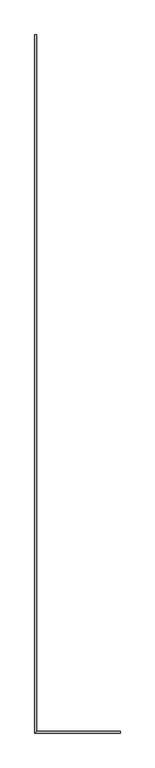
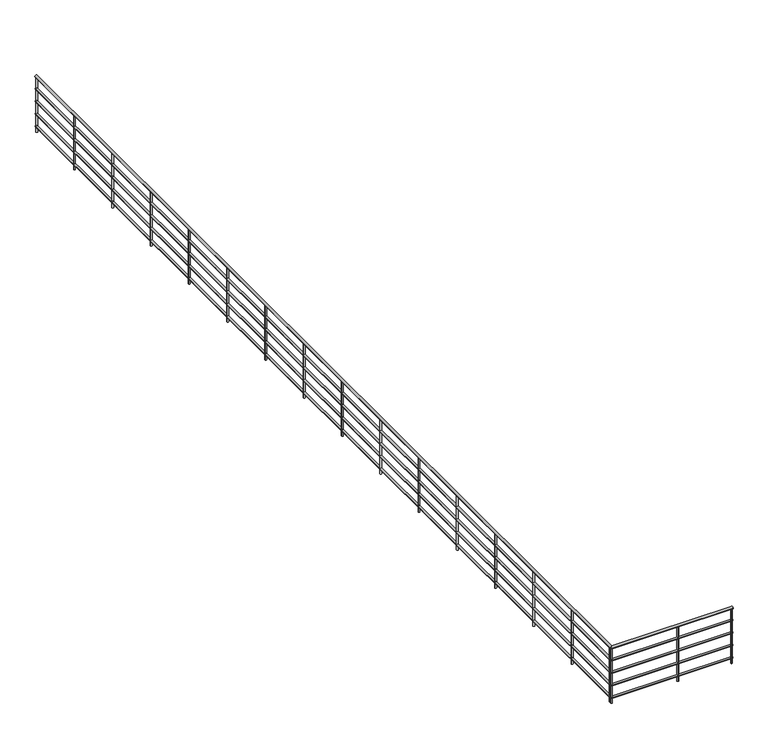
"""IFC4 building model written with IfcOpenShell, lengths in millimetres: railing geometry."""

from ifc_helpers import new_model, si_unit, point, frame, frame_2d, origin, origin_with_axes, place, context, project, spatial, circle_curve, ellipse_curve, trimmed, segment, composite_curve, outline, extrude, source, transform, mapped, element, save
from ifc_brep_helpers import plane_surface, cylinder_surface, advanced_brep


def railing_2988d23d(model_context):
    return source(origin(), model_context, "Body", "SolidModel", [
        advanced_brep(
        [(-18707.4724667, 3602.4523768, 880.0), (-18747.4724667, 3602.4523768, 880.0), (-18707.4724667, -11402.5476232, 880.0), (-18747.4724667, -11442.5476232, 880.0), (-16902.4724667, -11402.5476232, 880.0), (-16902.4724667, -11442.5476232, 880.0)],
        [
            (0, 1, circle_curve(frame((-18727.4724667, 3602.4523768, 880.0), z_axis=(0.0, 1.0, 0.0), x_axis=(-1.0, 0.0, 0.0)), 20.0)),
            (1, 0, circle_curve(frame((-18727.4724667, 3602.4523768, 880.0), z_axis=(0.0, 1.0, 0.0), x_axis=(-1.0, 0.0, 0.0)), 20.0)),
            (0, 2),
            (2, 3, ellipse_curve(frame((-18727.4724667, -11422.5476232, 880.0), z_axis=(-0.7071067811865457, 0.7071067811865493, 0.0), x_axis=(0.7071067811865493, 0.7071067811865457, 0.0)), 28.2842712, 20.0)),
            (3, 1),
            (3, 2, ellipse_curve(frame((-18727.4724667, -11422.5476232, 880.0), z_axis=(-0.7071067811865457, 0.7071067811865493, 0.0), x_axis=(0.7071067811865493, 0.7071067811865457, 0.0)), 28.2842712, 20.0)),
            (4, 5, circle_curve(frame((-16902.4724667, -11422.5476232, 880.0), z_axis=(1.0, 0.0, 0.0), x_axis=(0.0, -1.0, 0.0)), 20.0)),
            (5, 4, circle_curve(frame((-16902.4724667, -11422.5476232, 880.0), z_axis=(1.0, 0.0, 0.0), x_axis=(0.0, -1.0, 0.0)), 20.0)),
            (2, 4),
            (5, 3),
        ],
        [
            plane_surface(frame((-18727.4724667, 3602.4523768, 900.0), z_axis=(0.0, 1.0, 0.0), x_axis=(0.0, 0.0, -1.0))),
            cylinder_surface(frame((-18727.4724667, 3602.4523768, 880.0), z_axis=(0.0, 1.0, 0.0), x_axis=(-1.0, 0.0, 0.0)), 20.0),
            plane_surface(frame((-16902.4724667, -11422.5476232, 900.0), z_axis=(1.0, 0.0, 0.0), x_axis=(0.0, 1.0, 0.0))),
            cylinder_surface(frame((-18727.4724667, -11422.5476232, 880.0), z_axis=(-1.0, 0.0, 0.0), x_axis=(0.0, -1.0, 0.0)), 20.0),
        ],
        [
            (0, [[1, 2]]),
            (1, [[-1, 3, 4, 5]]),
            (1, [[-2, -5, 6, -3]]),
            (2, [[7, 8]]),
            (3, [[-4, 9, -8, 10]]),
            (3, [[-6, -10, -7, -9]]),
        ],
    ),
        advanced_brep(
        [(-18712.4724667, 3602.4523768, 685.0), (-18742.4724667, 3602.4523768, 685.0), (-18712.4724667, -11407.5476232, 685.0), (-18742.4724667, -11437.5476232, 685.0), (-16902.4724667, -11407.5476232, 685.0), (-16902.4724667, -11437.5476232, 685.0)],
        [
            (0, 1, circle_curve(frame((-18727.4724667, 3602.4523768, 685.0), z_axis=(0.0, 1.0, 0.0), x_axis=(-1.0, 0.0, 0.0)), 15.0)),
            (1, 0, circle_curve(frame((-18727.4724667, 3602.4523768, 685.0), z_axis=(0.0, 1.0, 0.0), x_axis=(-1.0, 0.0, 0.0)), 15.0)),
            (0, 2),
            (2, 3, ellipse_curve(frame((-18727.4724667, -11422.5476232, 685.0), z_axis=(-0.7071067811865457, 0.7071067811865493, 0.0), x_axis=(0.7071067811865493, 0.7071067811865457, 0.0)), 21.2132034, 15.0)),
            (3, 1),
            (3, 2, ellipse_curve(frame((-18727.4724667, -11422.5476232, 685.0), z_axis=(-0.7071067811865457, 0.7071067811865493, 0.0), x_axis=(0.7071067811865493, 0.7071067811865457, 0.0)), 21.2132034, 15.0)),
            (4, 5, circle_curve(frame((-16902.4724667, -11422.5476232, 685.0), z_axis=(1.0, 0.0, 0.0), x_axis=(0.0, -1.0, 0.0)), 15.0)),
            (5, 4, circle_curve(frame((-16902.4724667, -11422.5476232, 685.0), z_axis=(1.0, 0.0, 0.0), x_axis=(0.0, -1.0, 0.0)), 15.0)),
            (2, 4),
            (5, 3),
        ],
        [
            plane_surface(frame((-18727.4724667, 3602.4523768, 700.0), z_axis=(0.0, 1.0, 0.0), x_axis=(0.0, 0.0, -1.0))),
            cylinder_surface(frame((-18727.4724667, 3602.4523768, 685.0), z_axis=(0.0, 1.0, 0.0), x_axis=(-1.0, 0.0, 0.0)), 15.0),
            plane_surface(frame((-16902.4724667, -11422.5476232, 700.0), z_axis=(1.0, 0.0, 0.0), x_axis=(0.0, 1.0, 0.0))),
            cylinder_surface(frame((-18727.4724667, -11422.5476232, 685.0), z_axis=(-1.0, 0.0, 0.0), x_axis=(0.0, -1.0, 0.0)), 15.0),
        ],
        [
            (0, [[1, 2]]),
            (1, [[-1, 3, 4, 5]]),
            (1, [[-2, -5, 6, -3]]),
            (2, [[7, 8]]),
            (3, [[-4, 9, -8, 10]]),
            (3, [[-6, -10, -7, -9]]),
        ],
    ),
        advanced_brep(
        [(-18712.4724667, 3602.4523768, 485.0), (-18742.4724667, 3602.4523768, 485.0), (-18712.4724667, -11407.5476232, 485.0), (-18742.4724667, -11437.5476232, 485.0), (-16902.4724667, -11407.5476232, 485.0), (-16902.4724667, -11437.5476232, 485.0)],
        [
            (0, 1, circle_curve(frame((-18727.4724667, 3602.4523768, 485.0), z_axis=(0.0, 1.0, 0.0), x_axis=(-1.0, 0.0, 0.0)), 15.0)),
            (1, 0, circle_curve(frame((-18727.4724667, 3602.4523768, 485.0), z_axis=(0.0, 1.0, 0.0), x_axis=(-1.0, 0.0, 0.0)), 15.0)),
            (0, 2),
            (2, 3, ellipse_curve(frame((-18727.4724667, -11422.5476232, 485.0), z_axis=(-0.7071067811865457, 0.7071067811865493, 0.0), x_axis=(0.7071067811865493, 0.7071067811865457, 0.0)), 21.2132034, 15.0)),
            (3, 1),
            (3, 2, ellipse_curve(frame((-18727.4724667, -11422.5476232, 485.0), z_axis=(-0.7071067811865457, 0.7071067811865493, 0.0), x_axis=(0.7071067811865493, 0.7071067811865457, 0.0)), 21.2132034, 15.0)),
            (4, 5, circle_curve(frame((-16902.4724667, -11422.5476232, 485.0), z_axis=(1.0, 0.0, 0.0), x_axis=(0.0, -1.0, 0.0)), 15.0)),
            (5, 4, circle_curve(frame((-16902.4724667, -11422.5476232, 485.0), z_axis=(1.0, 0.0, 0.0), x_axis=(0.0, -1.0, 0.0)), 15.0)),
            (2, 4),
            (5, 3),
        ],
        [
            plane_surface(frame((-18727.4724667, 3602.4523768, 500.0), z_axis=(0.0, 1.0, 0.0), x_axis=(0.0, 0.0, -1.0))),
            cylinder_surface(frame((-18727.4724667, 3602.4523768, 485.0), z_axis=(0.0, 1.0, 0.0), x_axis=(-1.0, 0.0, 0.0)), 15.0),
            plane_surface(frame((-16902.4724667, -11422.5476232, 500.0), z_axis=(1.0, 0.0, 0.0), x_axis=(0.0, 1.0, 0.0))),
            cylinder_surface(frame((-18727.4724667, -11422.5476232, 485.0), z_axis=(-1.0, 0.0, 0.0), x_axis=(0.0, -1.0, 0.0)), 15.0),
        ],
        [
            (0, [[1, 2]]),
            (1, [[-1, 3, 4, 5]]),
            (1, [[-2, -5, 6, -3]]),
            (2, [[7, 8]]),
            (3, [[-4, 9, -8, 10]]),
            (3, [[-6, -10, -7, -9]]),
        ],
    ),
        advanced_brep(
        [(-18712.4724667, 3602.4523768, 285.0), (-18742.4724667, 3602.4523768, 285.0), (-18712.4724667, -11407.5476232, 285.0), (-18742.4724667, -11437.5476232, 285.0), (-16902.4724667, -11407.5476232, 285.0), (-16902.4724667, -11437.5476232, 285.0)],
        [
            (0, 1, circle_curve(frame((-18727.4724667, 3602.4523768, 285.0), z_axis=(0.0, 1.0, 0.0), x_axis=(-1.0, 0.0, 0.0)), 15.0)),
            (1, 0, circle_curve(frame((-18727.4724667, 3602.4523768, 285.0), z_axis=(0.0, 1.0, 0.0), x_axis=(-1.0, 0.0, 0.0)), 15.0)),
            (0, 2),
            (2, 3, ellipse_curve(frame((-18727.4724667, -11422.5476232, 285.0), z_axis=(-0.7071067811865457, 0.7071067811865493, 0.0), x_axis=(0.7071067811865493, 0.7071067811865457, 0.0)), 21.2132034, 15.0)),
            (3, 1),
            (3, 2, ellipse_curve(frame((-18727.4724667, -11422.5476232, 285.0), z_axis=(-0.7071067811865457, 0.7071067811865493, 0.0), x_axis=(0.7071067811865493, 0.7071067811865457, 0.0)), 21.2132034, 15.0)),
            (4, 5, circle_curve(frame((-16902.4724667, -11422.5476232, 285.0), z_axis=(1.0, 0.0, 0.0), x_axis=(0.0, -1.0, 0.0)), 15.0)),
            (5, 4, circle_curve(frame((-16902.4724667, -11422.5476232, 285.0), z_axis=(1.0, 0.0, 0.0), x_axis=(0.0, -1.0, 0.0)), 15.0)),
            (2, 4),
            (5, 3),
        ],
        [
            plane_surface(frame((-18727.4724667, 3602.4523768, 300.0), z_axis=(0.0, 1.0, 0.0), x_axis=(0.0, 0.0, -1.0))),
            cylinder_surface(frame((-18727.4724667, 3602.4523768, 285.0), z_axis=(0.0, 1.0, 0.0), x_axis=(-1.0, 0.0, 0.0)), 15.0),
            plane_surface(frame((-16902.4724667, -11422.5476232, 300.0), z_axis=(1.0, 0.0, 0.0), x_axis=(0.0, 1.0, 0.0))),
            cylinder_surface(frame((-18727.4724667, -11422.5476232, 285.0), z_axis=(-1.0, 0.0, 0.0), x_axis=(0.0, -1.0, 0.0)), 15.0),
        ],
        [
            (0, [[1, 2]]),
            (1, [[-1, 3, 4, 5]]),
            (1, [[-2, -5, 6, -3]]),
            (2, [[7, 8]]),
            (3, [[-4, 9, -8, 10]]),
            (3, [[-6, -10, -7, -9]]),
        ],
    ),
        advanced_brep(
        [(-18712.4724667, 3602.4523768, 85.0), (-18742.4724667, 3602.4523768, 85.0), (-18712.4724667, -11407.5476232, 85.0), (-18742.4724667, -11437.5476232, 85.0), (-16902.4724667, -11407.5476232, 85.0), (-16902.4724667, -11437.5476232, 85.0)],
        [
            (0, 1, circle_curve(frame((-18727.4724667, 3602.4523768, 85.0), z_axis=(0.0, 1.0, 0.0), x_axis=(-1.0, 0.0, 0.0)), 15.0)),
            (1, 0, circle_curve(frame((-18727.4724667, 3602.4523768, 85.0), z_axis=(0.0, 1.0, 0.0), x_axis=(-1.0, 0.0, 0.0)), 15.0)),
            (0, 2),
            (2, 3, ellipse_curve(frame((-18727.4724667, -11422.5476232, 85.0), z_axis=(-0.7071067811865457, 0.7071067811865493, 0.0), x_axis=(0.7071067811865493, 0.7071067811865457, 0.0)), 21.2132034, 15.0)),
            (3, 1),
            (3, 2, ellipse_curve(frame((-18727.4724667, -11422.5476232, 85.0), z_axis=(-0.7071067811865457, 0.7071067811865493, 0.0), x_axis=(0.7071067811865493, 0.7071067811865457, 0.0)), 21.2132034, 15.0)),
            (4, 5, circle_curve(frame((-16902.4724667, -11422.5476232, 85.0), z_axis=(1.0, 0.0, 0.0), x_axis=(0.0, -1.0, 0.0)), 15.0)),
            (5, 4, circle_curve(frame((-16902.4724667, -11422.5476232, 85.0), z_axis=(1.0, 0.0, 0.0), x_axis=(0.0, -1.0, 0.0)), 15.0)),
            (2, 4),
            (5, 3),
        ],
        [
            plane_surface(frame((-18727.4724667, 3602.4523768, 100.0), z_axis=(0.0, 1.0, 0.0), x_axis=(0.0, 0.0, -1.0))),
            cylinder_surface(frame((-18727.4724667, 3602.4523768, 85.0), z_axis=(0.0, 1.0, 0.0), x_axis=(-1.0, 0.0, 0.0)), 15.0),
            plane_surface(frame((-16902.4724667, -11422.5476232, 100.0), z_axis=(1.0, 0.0, 0.0), x_axis=(0.0, 1.0, 0.0))),
            cylinder_surface(frame((-18727.4724667, -11422.5476232, 85.0), z_axis=(-1.0, 0.0, 0.0), x_axis=(0.0, -1.0, 0.0)), 15.0),
        ],
        [
            (0, [[1, 2]]),
            (1, [[-1, 3, 4, 5]]),
            (1, [[-2, -5, 6, -3]]),
            (2, [[7, 8]]),
            (3, [[-4, 9, -8, 10]]),
            (3, [[-6, -10, -7, -9]]),
        ],
    ),
        extrude(outline(composite_curve([segment(trimmed(circle_curve(frame_2d((-17727.4724667, -11422.5476232)), 12.5), [point((-17727.4724667, -11410.0476232))], [point((-17727.4724667, -11435.0476232))], False, "CARTESIAN"), True, "CONTINUOUS"), segment(trimmed(circle_curve(frame_2d((-17727.4724667, -11422.5476232)), 12.5), [point((-17727.4724667, -11435.0476232))], [point((-17727.4724667, -11410.0476232))], False, "CARTESIAN"), True, "CONTINUOUS")], self_intersect=False)), origin_with_axes(), (0.0, 0.0, 1.0), 860.0),
        extrude(outline(composite_curve([segment(trimmed(circle_curve(frame_2d((-18727.4724667, -11397.5476232)), 12.5), [point((-18714.9724667, -11397.5476232))], [point((-18739.9724667, -11397.5476232))], False, "CARTESIAN"), True, "CONTINUOUS"), segment(trimmed(circle_curve(frame_2d((-18727.4724667, -11397.5476232)), 12.5), [point((-18739.9724667, -11397.5476232))], [point((-18714.9724667, -11397.5476232))], False, "CARTESIAN"), True, "CONTINUOUS")], self_intersect=False)), origin_with_axes(), (0.0, 0.0, 1.0), 860.0),
        extrude(outline(composite_curve([segment(trimmed(circle_curve(frame_2d((-18727.4724667, -10397.5476232)), 12.5), [point((-18714.9724667, -10397.5476232))], [point((-18739.9724667, -10397.5476232))], False, "CARTESIAN"), True, "CONTINUOUS"), segment(trimmed(circle_curve(frame_2d((-18727.4724667, -10397.5476232)), 12.5), [point((-18739.9724667, -10397.5476232))], [point((-18714.9724667, -10397.5476232))], False, "CARTESIAN"), True, "CONTINUOUS")], self_intersect=False)), origin_with_axes(), (0.0, 0.0, 1.0), 860.0),
        extrude(outline(composite_curve([segment(trimmed(circle_curve(frame_2d((-18727.4724667, -9397.5476232)), 12.5), [point((-18714.9724667, -9397.5476232))], [point((-18739.9724667, -9397.5476232))], False, "CARTESIAN"), True, "CONTINUOUS"), segment(trimmed(circle_curve(frame_2d((-18727.4724667, -9397.5476232)), 12.5), [point((-18739.9724667, -9397.5476232))], [point((-18714.9724667, -9397.5476232))], False, "CARTESIAN"), True, "CONTINUOUS")], self_intersect=False)), origin_with_axes(), (0.0, 0.0, 1.0), 860.0),
        extrude(outline(composite_curve([segment(trimmed(circle_curve(frame_2d((-18727.4724667, -8397.5476232)), 12.5), [point((-18714.9724667, -8397.5476232))], [point((-18739.9724667, -8397.5476232))], False, "CARTESIAN"), True, "CONTINUOUS"), segment(trimmed(circle_curve(frame_2d((-18727.4724667, -8397.5476232)), 12.5), [point((-18739.9724667, -8397.5476232))], [point((-18714.9724667, -8397.5476232))], False, "CARTESIAN"), True, "CONTINUOUS")], self_intersect=False)), origin_with_axes(), (0.0, 0.0, 1.0), 860.0),
        extrude(outline(composite_curve([segment(trimmed(circle_curve(frame_2d((-18727.4724667, -7397.5476232)), 12.5), [point((-18714.9724667, -7397.5476232))], [point((-18739.9724667, -7397.5476232))], False, "CARTESIAN"), True, "CONTINUOUS"), segment(trimmed(circle_curve(frame_2d((-18727.4724667, -7397.5476232)), 12.5), [point((-18739.9724667, -7397.5476232))], [point((-18714.9724667, -7397.5476232))], False, "CARTESIAN"), True, "CONTINUOUS")], self_intersect=False)), origin_with_axes(), (0.0, 0.0, 1.0), 860.0),
        extrude(outline(composite_curve([segment(trimmed(circle_curve(frame_2d((-18727.4724667, -6397.5476232)), 12.5), [point((-18714.9724667, -6397.5476232))], [point((-18739.9724667, -6397.5476232))], False, "CARTESIAN"), True, "CONTINUOUS"), segment(trimmed(circle_curve(frame_2d((-18727.4724667, -6397.5476232)), 12.5), [point((-18739.9724667, -6397.5476232))], [point((-18714.9724667, -6397.5476232))], False, "CARTESIAN"), True, "CONTINUOUS")], self_intersect=False)), origin_with_axes(), (0.0, 0.0, 1.0), 860.0),
        extrude(outline(composite_curve([segment(trimmed(circle_curve(frame_2d((-18727.4724667, -5397.5476232)), 12.5), [point((-18714.9724667, -5397.5476232))], [point((-18739.9724667, -5397.5476232))], False, "CARTESIAN"), True, "CONTINUOUS"), segment(trimmed(circle_curve(frame_2d((-18727.4724667, -5397.5476232)), 12.5), [point((-18739.9724667, -5397.5476232))], [point((-18714.9724667, -5397.5476232))], False, "CARTESIAN"), True, "CONTINUOUS")], self_intersect=False)), origin_with_axes(), (0.0, 0.0, 1.0), 860.0),
        extrude(outline(composite_curve([segment(trimmed(circle_curve(frame_2d((-18727.4724667, -4397.5476232)), 12.5), [point((-18714.9724667, -4397.5476232))], [point((-18739.9724667, -4397.5476232))], False, "CARTESIAN"), True, "CONTINUOUS"), segment(trimmed(circle_curve(frame_2d((-18727.4724667, -4397.5476232)), 12.5), [point((-18739.9724667, -4397.5476232))], [point((-18714.9724667, -4397.5476232))], False, "CARTESIAN"), True, "CONTINUOUS")], self_intersect=False)), origin_with_axes(), (0.0, 0.0, 1.0), 860.0),
        extrude(outline(composite_curve([segment(trimmed(circle_curve(frame_2d((-18727.4724667, -3397.5476232)), 12.5), [point((-18714.9724667, -3397.5476232))], [point((-18739.9724667, -3397.5476232))], False, "CARTESIAN"), True, "CONTINUOUS"), segment(trimmed(circle_curve(frame_2d((-18727.4724667, -3397.5476232)), 12.5), [point((-18739.9724667, -3397.5476232))], [point((-18714.9724667, -3397.5476232))], False, "CARTESIAN"), True, "CONTINUOUS")], self_intersect=False)), origin_with_axes(), (0.0, 0.0, 1.0), 860.0),
        extrude(outline(composite_curve([segment(trimmed(circle_curve(frame_2d((-18727.4724667, -2397.5476232)), 12.5), [point((-18714.9724667, -2397.5476232))], [point((-18739.9724667, -2397.5476232))], False, "CARTESIAN"), True, "CONTINUOUS"), segment(trimmed(circle_curve(frame_2d((-18727.4724667, -2397.5476232)), 12.5), [point((-18739.9724667, -2397.5476232))], [point((-18714.9724667, -2397.5476232))], False, "CARTESIAN"), True, "CONTINUOUS")], self_intersect=False)), origin_with_axes(), (0.0, 0.0, 1.0), 860.0),
        extrude(outline(composite_curve([segment(trimmed(circle_curve(frame_2d((-18727.4724667, -1397.5476232)), 12.5), [point((-18714.9724667, -1397.5476232))], [point((-18739.9724667, -1397.5476232))], False, "CARTESIAN"), True, "CONTINUOUS"), segment(trimmed(circle_curve(frame_2d((-18727.4724667, -1397.5476232)), 12.5), [point((-18739.9724667, -1397.5476232))], [point((-18714.9724667, -1397.5476232))], False, "CARTESIAN"), True, "CONTINUOUS")], self_intersect=False)), origin_with_axes(), (0.0, 0.0, 1.0), 860.0),
        extrude(outline(composite_curve([segment(trimmed(circle_curve(frame_2d((-18727.4724667, -397.5476232)), 12.5), [point((-18714.9724667, -397.5476232))], [point((-18739.9724667, -397.5476232))], False, "CARTESIAN"), True, "CONTINUOUS"), segment(trimmed(circle_curve(frame_2d((-18727.4724667, -397.5476232)), 12.5), [point((-18739.9724667, -397.5476232))], [point((-18714.9724667, -397.5476232))], False, "CARTESIAN"), True, "CONTINUOUS")], self_intersect=False)), origin_with_axes(), (0.0, 0.0, 1.0), 860.0),
        extrude(outline(composite_curve([segment(trimmed(circle_curve(frame_2d((-18727.4724667, 602.4523768)), 12.5), [point((-18714.9724667, 602.4523768))], [point((-18739.9724667, 602.4523768))], False, "CARTESIAN"), True, "CONTINUOUS"), segment(trimmed(circle_curve(frame_2d((-18727.4724667, 602.4523768)), 12.5), [point((-18739.9724667, 602.4523768))], [point((-18714.9724667, 602.4523768))], False, "CARTESIAN"), True, "CONTINUOUS")], self_intersect=False)), origin_with_axes(), (0.0, 0.0, 1.0), 860.0),
        extrude(outline(composite_curve([segment(trimmed(circle_curve(frame_2d((-18727.4724667, 1602.4523768)), 12.5), [point((-18714.9724667, 1602.4523768))], [point((-18739.9724667, 1602.4523768))], False, "CARTESIAN"), True, "CONTINUOUS"), segment(trimmed(circle_curve(frame_2d((-18727.4724667, 1602.4523768)), 12.5), [point((-18739.9724667, 1602.4523768))], [point((-18714.9724667, 1602.4523768))], False, "CARTESIAN"), True, "CONTINUOUS")], self_intersect=False)), origin_with_axes(), (0.0, 0.0, 1.0), 860.0),
        extrude(outline(composite_curve([segment(trimmed(circle_curve(frame_2d((-18727.4724667, 2602.4523768)), 12.5), [point((-18714.9724667, 2602.4523768))], [point((-18739.9724667, 2602.4523768))], False, "CARTESIAN"), True, "CONTINUOUS"), segment(trimmed(circle_curve(frame_2d((-18727.4724667, 2602.4523768)), 12.5), [point((-18739.9724667, 2602.4523768))], [point((-18714.9724667, 2602.4523768))], False, "CARTESIAN"), True, "CONTINUOUS")], self_intersect=False)), origin_with_axes(), (0.0, 0.0, 1.0), 860.0),
        extrude(outline(composite_curve([segment(trimmed(circle_curve(frame_2d((-18727.4724667, -11422.5476232)), 12.5), [point((-18714.9724667, -11422.5476232))], [point((-18739.9724667, -11422.5476232))], False, "CARTESIAN"), True, "CONTINUOUS"), segment(trimmed(circle_curve(frame_2d((-18727.4724667, -11422.5476232)), 12.5), [point((-18739.9724667, -11422.5476232))], [point((-18714.9724667, -11422.5476232))], False, "CARTESIAN"), True, "CONTINUOUS")], self_intersect=False)), origin_with_axes(), (0.0, 0.0, 1.0), 860.0),
        extrude(outline(composite_curve([segment(trimmed(circle_curve(frame_2d((-16914.9724667, -11422.5476232)), 12.5), [point((-16914.9724667, -11410.0476232))], [point((-16914.9724667, -11435.0476232))], False, "CARTESIAN"), True, "CONTINUOUS"), segment(trimmed(circle_curve(frame_2d((-16914.9724667, -11422.5476232)), 12.5), [point((-16914.9724667, -11435.0476232))], [point((-16914.9724667, -11410.0476232))], False, "CARTESIAN"), True, "CONTINUOUS")], self_intersect=False)), origin_with_axes(), (0.0, 0.0, 1.0), 860.0),
        extrude(outline(composite_curve([segment(trimmed(circle_curve(frame_2d((-18727.4724667, 3589.9523768)), 12.5), [point((-18714.9724667, 3589.9523768))], [point((-18739.9724667, 3589.9523768))], False, "CARTESIAN"), True, "CONTINUOUS"), segment(trimmed(circle_curve(frame_2d((-18727.4724667, 3589.9523768)), 12.5), [point((-18739.9724667, 3589.9523768))], [point((-18714.9724667, 3589.9523768))], False, "CARTESIAN"), True, "CONTINUOUS")], self_intersect=False)), origin_with_axes(), (0.0, 0.0, 1.0), 860.0),
    ])


if __name__ == "__main__":
    model = new_model("IFC4")
    model_context = context("Model", 3, world=origin())
    ifc_project = project(units=[si_unit("LENGTHUNIT", "METRE", prefix="MILLI")], contexts=[model_context])
    site = spatial("IfcSite", under=ifc_project)
    building = spatial("IfcBuilding", under=site)
    placement = place(None, origin())
    railing_shape = railing_2988d23d(model_context)
    element("IfcRailing", 1, at=placement, inside=building, context=model_context, shape_type="MappedRepresentation", body=[
        mapped(railing_shape, transform((0.0, 0.0, 0.0), x_axis=(1.0, 0.0, 0.0), y_axis=(0.0, 1.0, 0.0), z_axis=(0.0, 0.0, 1.0))),
    ])
    save(model, "model.ifc")
